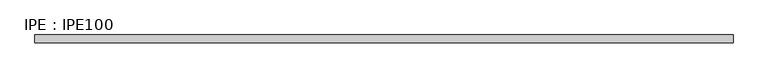
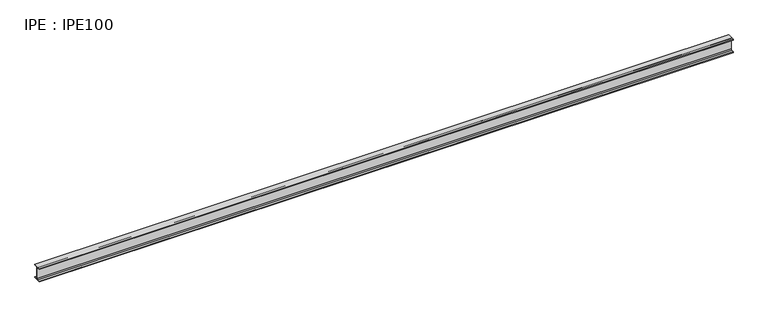
"""IFC4 building model written with IfcOpenShell, lengths in millimetres: beam geometry, IPE : IPE100."""

from ifc_helpers import new_model, si_unit, point, frame, frame_2d, origin, place, context, project, spatial, polyline, circle_curve, trimmed, segment, composite_curve, outline, extrude, source, transform, mapped, element, save


def ipe_ipe100_04ea1c09(model_context):
    return source(origin(), model_context, "Body", "SweptSolid", [
        extrude(outline(composite_curve([segment(polyline([(27.5, -44.3), (27.5, -50.0), (-27.5, -50.0), (-27.5, -44.3), (-9.05, -44.3)]), True, "CONTINUOUS"), segment(trimmed(circle_curve(frame_2d((-9.05, -37.3)), 7.0), [point((-9.05, -44.3))], [point((-2.05, -37.3))], True, "CARTESIAN"), True, "CONTINUOUS"), segment(polyline([(-2.05, -37.3), (-2.05, 37.3)]), True, "CONTINUOUS"), segment(trimmed(circle_curve(frame_2d((-9.05, 37.3)), 7.0), [point((-2.05, 37.3))], [point((-9.05, 44.3))], True, "CARTESIAN"), True, "CONTINUOUS"), segment(polyline([(-9.05, 44.3), (-27.5, 44.3), (-27.5, 50.0), (27.5, 50.0), (27.5, 44.3), (9.05, 44.3)]), True, "CONTINUOUS"), segment(trimmed(circle_curve(frame_2d((9.05, 37.3)), 7.0), [point((9.05, 44.3))], [point((2.05, 37.3))], True, "CARTESIAN"), True, "CONTINUOUS"), segment(polyline([(2.05, 37.3), (2.05, -37.3)]), True, "CONTINUOUS"), segment(trimmed(circle_curve(frame_2d((9.05, -37.3)), 7.0), [point((2.05, -37.3))], [point((9.05, -44.3))], True, "CARTESIAN"), True, "CONTINUOUS"), segment(polyline([(9.05, -44.3), (27.5, -44.3)]), True, "CONTINUOUS")], self_intersect=False)), frame((-2470.15, 0.0, 0.0), z_axis=(1.0, 0.0, 0.0), x_axis=(0.0, 1.0, 0.0)), (0.0, 0.0, 1.0), 4917.0),
    ])


if __name__ == "__main__":
    model = new_model("IFC4")
    model_context = context("Model", 3, world=origin())
    ifc_project = project(units=[si_unit("LENGTHUNIT", "METRE", prefix="MILLI")], contexts=[model_context])
    site = spatial("IfcSite", under=ifc_project)
    building = spatial("IfcBuilding", under=site)
    placement = place(None, origin())
    ipe_ipe100_shape = ipe_ipe100_04ea1c09(model_context)
    element("IfcBeam", 1, ObjectType="IPE : IPE100", at=placement, inside=building, context=model_context, shape_type="MappedRepresentation", body=[
        mapped(ipe_ipe100_shape, transform((0.0, 0.0, 0.0), x_axis=(1.0, 0.0, 0.0), y_axis=(0.0, 1.0, 0.0), z_axis=(0.0, 0.0, 1.0))),
    ])
    save(model, "model.ifc")
